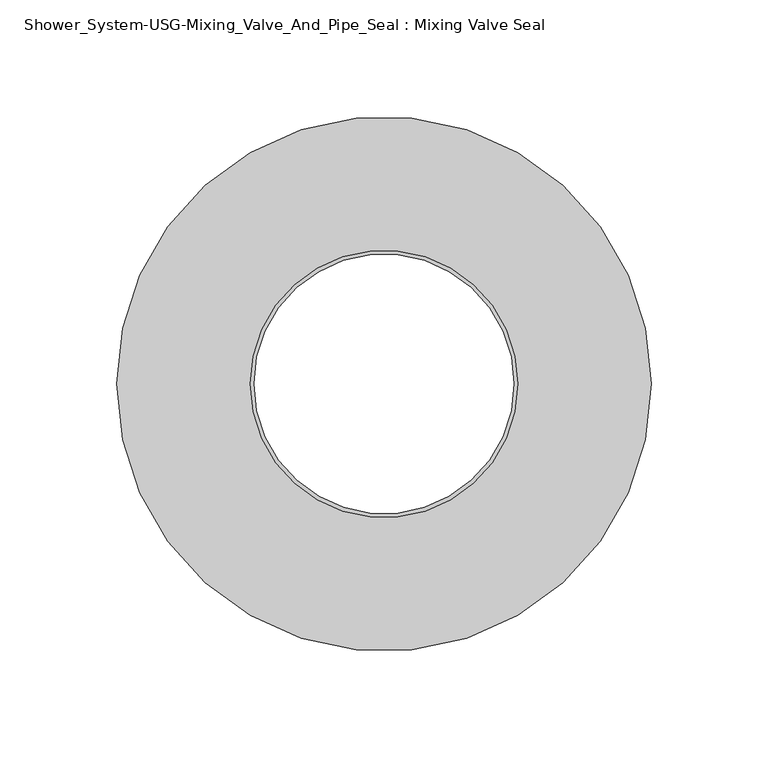
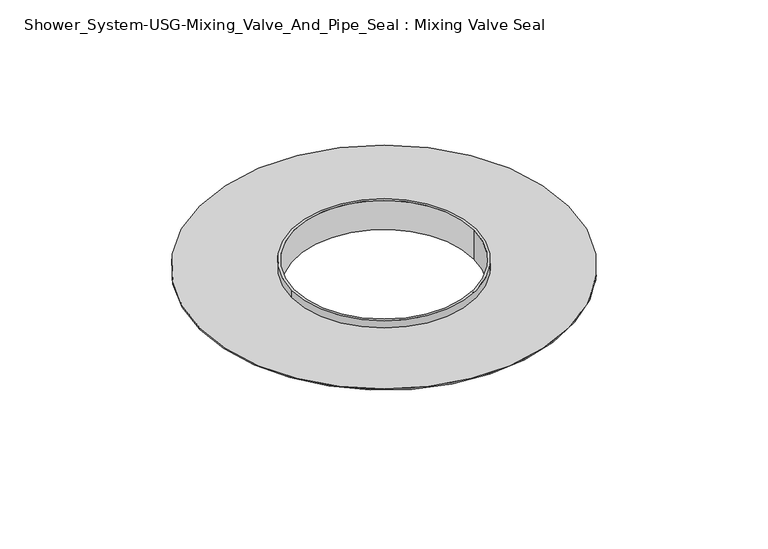
"""IFC4 building model written with IfcOpenShell, lengths in millimetres: proxy geometry, Shower_System-USG-Mixing_Valve_And_Pipe_Seal : Mixing Valve Seal."""

from ifc_helpers import new_model, si_unit, point, frame, origin, origin_with_axes, origin_2d, place, context, project, spatial, circle_curve, trimmed, segment, composite_curve, outline, extrude, source, transform, mapped, element, save


def shower_system_usg_mixing_valve_and_pipe_seal_mixing_valve_9c4c7f02(model_context):
    return source(origin(), model_context, "Body", "SweptSolid", [
        extrude(outline(composite_curve([segment(trimmed(circle_curve(origin_2d(), 114.3), [point((-114.3, 0.0))], [point((114.3, 0.0))], False, "CARTESIAN"), True, "CONTINUOUS"), segment(trimmed(circle_curve(origin_2d(), 114.3), [point((114.3, 0.0))], [point((-114.3, 0.0))], False, "CARTESIAN"), True, "CONTINUOUS")], self_intersect=False), holes=[composite_curve([segment(trimmed(circle_curve(origin_2d(), 57.15), [point((-57.15, 0.0))], [point((57.15, 0.0))], True, "CARTESIAN"), True, "CONTINUOUS"), segment(trimmed(circle_curve(origin_2d(), 57.15), [point((57.15, 0.0))], [point((-57.15, 0.0))], True, "CARTESIAN"), True, "CONTINUOUS")], self_intersect=False)]), origin_with_axes(), (0.0, 0.0, 1.0), 0.79375),
        extrude(outline(composite_curve([segment(trimmed(circle_curve(origin_2d(), 57.15), [point((-57.15, 0.0))], [point((57.15, 0.0))], False, "CARTESIAN"), True, "CONTINUOUS"), segment(trimmed(circle_curve(origin_2d(), 57.15), [point((57.15, 0.0))], [point((-57.15, 0.0))], False, "CARTESIAN"), True, "CONTINUOUS")], self_intersect=False), holes=[composite_curve([segment(trimmed(circle_curve(origin_2d(), 55.5625), [point((-55.5625, 0.0))], [point((55.5625, 0.0))], True, "CARTESIAN"), True, "CONTINUOUS"), segment(trimmed(circle_curve(origin_2d(), 55.5625), [point((55.5625, 0.0))], [point((-55.5625, 0.0))], True, "CARTESIAN"), True, "CONTINUOUS")], self_intersect=False)]), frame((0.0, 0.0, -13.49375), z_axis=(0.0, 0.0, 1.0), x_axis=(1.0, 0.0, 0.0)), (0.0, 0.0, 1.0), 19.05),
    ])


if __name__ == "__main__":
    model = new_model("IFC4")
    model_context = context("Model", 3, world=origin())
    ifc_project = project(units=[si_unit("LENGTHUNIT", "METRE", prefix="MILLI")], contexts=[model_context])
    site = spatial("IfcSite", under=ifc_project)
    building = spatial("IfcBuilding", under=site)
    placement = place(None, origin())
    shower_system_usg_mixing_valve_and_pipe_seal_mixing_valve_shape = shower_system_usg_mixing_valve_and_pipe_seal_mixing_valve_9c4c7f02(model_context)
    element("IfcBuildingElementProxy", 1, Name="Shower_System-USG-Mixing_Valve_And_Pipe_Seal : Mixing Valve Seal", ObjectType="Shower_System-USG-Mixing_Valve_And_Pipe_Seal : Mixing Valve Seal", at=placement, inside=building, context=model_context, shape_type="MappedRepresentation", body=[
        mapped(shower_system_usg_mixing_valve_and_pipe_seal_mixing_valve_shape, transform((0.0, 0.0, 0.0), x_axis=(1.0, 0.0, 0.0), y_axis=(0.0, 1.0, 0.0), z_axis=(0.0, 0.0, 1.0))),
    ])
    save(model, "model.ifc")
